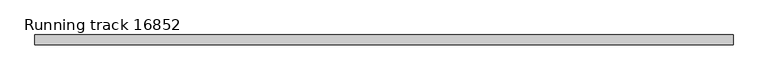
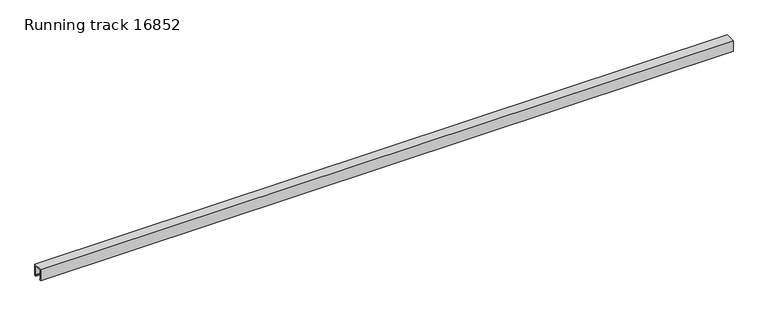
"""IFC4 building model written with IfcOpenShell, lengths in millimetres: proxy geometry, Running track 16852."""

import ifcopenshell
import ifcopenshell.guid

model = None  # the IFC model being written
_history = None  # IfcOwnerHistory: only IFC2X3 demands one
_inside = {}  # id of a spatial element -> (the spatial element, [elements in it])
_under = {}  # id of a project, library or spatial element -> (it, [spatial elements below it])
_declared = {}  # id of a project -> (the project, [libraries it declares])
_typed = {}  # id of a type object -> (the type object, [elements of that type])
_made_of = {}  # id of a material, layer set ... -> (it, [elements and type objects made of it])


def new_model(schema):
    """Start an empty IFC model of exactly this schema.

    Asked for "IFC4X3", IfcOpenShell would pick the latest addendum, in which some entities
    have other attributes; the version numbers below select the first issue.
    IFC2X3 requires an IfcOwnerHistory on every rooted entity: one is made here for all.
    """
    global model, _history
    if schema == "IFC4X3":
        model = ifcopenshell.file(schema_version=(4, 3, 0, 0))
    else:
        model = ifcopenshell.file(schema=schema)
    _inside.clear()
    _under.clear()
    _declared.clear()
    _typed.clear()
    _made_of.clear()
    _history = None
    if model.schema == "IFC2X3":
        org = make("IfcOrganization", Name="unknown")
        user = make(
            "IfcPersonAndOrganization",
            ThePerson=make("IfcPerson", FamilyName="unknown"),
            TheOrganization=org,
        )
        app = make(
            "IfcApplication",
            ApplicationDeveloper=org,
            Version="unknown",
            ApplicationFullName="unknown",
            ApplicationIdentifier="unknown",
        )
        _history = make(
            "IfcOwnerHistory",
            OwningUser=user,
            OwningApplication=app,
            ChangeAction="ADDED",
            CreationDate=0,
        )
    return model


def make(cls, **values):
    """One entity of the class cls with the attributes given. An attribute that is None is left unset."""
    return model.create_entity(
        cls, **{name: value for name, value in values.items() if value is not None}
    )


def rooted(cls, **values):
    """An entity with a GlobalId (a new one), such as an element, a storey or a relation."""
    return make(cls, GlobalId=ifcopenshell.guid.new(), OwnerHistory=_history, **values)


def si_unit(unit_type, name, prefix=None):
    """IfcSIUnit, for example si_unit("LENGTHUNIT", "METRE", prefix="MILLI")."""
    return make("IfcSIUnit", UnitType=unit_type, Prefix=prefix, Name=name)


def assignment(units):
    """IfcUnitAssignment: the units of a project."""
    return None if units is None else make("IfcUnitAssignment", Units=units)


def point(xyz):
    """IfcCartesianPoint."""
    return None if xyz is None else make("IfcCartesianPoint", Coordinates=xyz)


def direction(xyz):
    """IfcDirection."""
    return None if xyz is None else make("IfcDirection", DirectionRatios=xyz)


def frame(location, z_axis=None, x_axis=None):
    """IfcAxis2Placement3D, a coordinate frame: its origin and axes. An axis left out is left unset."""
    return make(
        "IfcAxis2Placement3D",
        Location=point(location),
        Axis=direction(z_axis),
        RefDirection=direction(x_axis),
    )


def origin():
    """The frame at (0, 0, 0) with its axes left unset."""
    return frame((0.0, 0.0, 0.0))


def place(relative_to, where):
    """IfcLocalPlacement: puts the frame where relative to a parent placement (None: the world)."""
    return make(
        "IfcLocalPlacement", PlacementRelTo=relative_to, RelativePlacement=where
    )


def context(
    kind, dimensions, precision=None, world=None, true_north=None, identifier=None
):
    """IfcGeometricRepresentationContext, for example the 3D "Model" context."""
    return make(
        "IfcGeometricRepresentationContext",
        ContextIdentifier=identifier,
        ContextType=kind,
        CoordinateSpaceDimension=dimensions,
        Precision=precision,
        WorldCoordinateSystem=world,
        TrueNorth=true_north,
    )


def project(units=None, contexts=None):
    """IfcProject with its units and contexts."""
    return rooted(
        "IfcProject",
        Name="project",
        RepresentationContexts=contexts,
        UnitsInContext=assignment(units),
    )


def spatial(cls, under=None, at=None, **own):
    """A site, building, storey or space (cls), placed at a placement, below another one or the project."""
    s = rooted(cls, ObjectPlacement=at, **own)
    if under is not None:
        _under.setdefault(under.id(), (under, []))[1].append(s)
    return s


def polyline(points):
    """IfcPolyline through the points."""
    return make("IfcPolyline", Points=[point(p) for p in points])


def outline(outer, holes=None, kind="AREA"):
    """IfcArbitraryClosedProfileDef: a profile drawn as a closed curve; with holes, ...WithVoids."""
    if holes is None:
        return make("IfcArbitraryClosedProfileDef", ProfileType=kind, OuterCurve=outer)
    return make(
        "IfcArbitraryProfileDefWithVoids",
        ProfileType=kind,
        OuterCurve=outer,
        InnerCurves=holes,
    )


def extrude(swept, where, along, depth):
    """IfcExtrudedAreaSolid: the profile swept, set in the frame where, extruded along a direction by depth."""
    return make(
        "IfcExtrudedAreaSolid",
        SweptArea=swept,
        Position=where,
        ExtrudedDirection=direction(along),
        Depth=depth,
    )


def shape(context_of_items, identifier, shape_type, items):
    """IfcShapeRepresentation: the items that make up one representation, for example the "Body"."""
    return make(
        "IfcShapeRepresentation",
        ContextOfItems=context_of_items,
        RepresentationIdentifier=identifier,
        RepresentationType=shape_type,
        Items=items,
    )


def source(mapping_origin, context_of_items, identifier, shape_type, items):
    """IfcRepresentationMap: a shape defined once, which mapped items show again and again."""
    return make(
        "IfcRepresentationMap",
        MappingOrigin=mapping_origin,
        MappedRepresentation=shape(context_of_items, identifier, shape_type, items),
    )


def transform(
    local_origin,
    x_axis=None,
    y_axis=None,
    z_axis=None,
    scale=None,
    scale2=None,
    scale3=None,
    uniform=True,
):
    """IfcCartesianTransformationOperator3D, or its non-uniform kind. x_axis, y_axis, z_axis: its Axis1, 2, 3."""
    if uniform:
        return make(
            "IfcCartesianTransformationOperator3D",
            Axis1=direction(x_axis),
            Axis2=direction(y_axis),
            LocalOrigin=point(local_origin),
            Scale=scale,
            Axis3=direction(z_axis),
        )
    return make(
        "IfcCartesianTransformationOperator3DnonUniform",
        Axis1=direction(x_axis),
        Axis2=direction(y_axis),
        LocalOrigin=point(local_origin),
        Scale=scale,
        Axis3=direction(z_axis),
        Scale2=scale2,
        Scale3=scale3,
    )


def mapped(mapping_source, mapping_target):
    """IfcMappedItem: shows the shape of a source again, moved by a transform."""
    return make(
        "IfcMappedItem", MappingSource=mapping_source, MappingTarget=mapping_target
    )


def made_of(thing, what):
    """Note that an element or type object is made of a material, layer set ...; save() writes the relation."""
    if what is not None:
        _made_of.setdefault(what.id(), (what, []))[1].append(thing)
    return thing


def element(
    cls,
    number,
    at=None,
    inside=None,
    cuts=None,
    type_object=None,
    material=None,
    context=None,
    identifier="Body",
    shape_type=None,
    held_by="IfcProductDefinitionShape",
    body=None,
    shapes=None,
    **own,
):
    """One element of the class cls, such as IfcWall. Its Tag is "e" and its number.

    at: its placement. inside: the storey or other place that contains it. cuts: it is an
    opening in that element (IfcRelVoidsElement). A single representation is given by context,
    identifier, shape_type and body (its items); several are given by shapes. held_by: the class
    of the entity that holds the representations. save() writes the other relations.
    """
    e = rooted(cls, Tag="e%d" % number, ObjectPlacement=at, **own)
    if body is not None:
        shapes = [shape(context, identifier, shape_type, body)]
    if shapes is not None:
        e.Representation = make(held_by, Representations=shapes)
    if inside is not None:
        _inside.setdefault(inside.id(), (inside, []))[1].append(e)
    if cuts is not None:
        rooted(
            "IfcRelVoidsElement", RelatingBuildingElement=cuts, RelatedOpeningElement=e
        )
    if type_object is not None:
        _typed.setdefault(type_object.id(), (type_object, []))[1].append(e)
    return made_of(e, material)


def aggregate(whole, parts):
    """IfcRelAggregates: a whole, such as a stair, and the parts it consists of."""
    return rooted("IfcRelAggregates", RelatingObject=whole, RelatedObjects=parts)


def save(model, path):
    """Write the relations noted so far, then the file.

    IfcRelAggregates (storeys below a building ...), IfcRelContainedInSpatialStructure (elements
    in a storey), IfcRelDefinesByType, IfcRelAssociatesMaterial and IfcRelDeclares: one each for
    every whole, place, type object, material and project.
    """
    for whole, parts in _under.values():
        aggregate(whole, parts)
    for where, things in _inside.values():
        rooted(
            "IfcRelContainedInSpatialStructure",
            RelatedElements=things,
            RelatingStructure=where,
        )
    for kind, things in _typed.values():
        rooted("IfcRelDefinesByType", RelatedObjects=things, RelatingType=kind)
    for what, things in _made_of.values():
        rooted("IfcRelAssociatesMaterial", RelatedObjects=things, RelatingMaterial=what)
    for by, libraries in _declared.values():
        rooted("IfcRelDeclares", RelatingContext=by, RelatedDefinitions=libraries)
    model.write(path)


def running_track_16852_9f76378e(model_context):
    return source(origin(), model_context, "Body", "SweptSolid", [
        extrude(outline(polyline([(-25.0, 0.0), (-25.0, 58.0), (25.0, 58.0), (25.0, 0.0), (17.0, 0.0), (17.0, 3.0), (22.0, 3.0), (22.0, 55.0), (-21.9166556, 55.0), (-21.9166556, 3.0), (-17.0, 3.0), (-17.0, 0.0), (-25.0, 0.0)])), frame((0.0, 0.0, 0.0), z_axis=(1.0, 0.0, 0.0), x_axis=(0.0, 1.0, 0.0)), (0.0, 0.0, 1.0), 3492.0),
    ])


if __name__ == "__main__":
    model = new_model("IFC4")
    model_context = context("Model", 3, world=origin())
    ifc_project = project(units=[si_unit("LENGTHUNIT", "METRE", prefix="MILLI")], contexts=[model_context])
    site = spatial("IfcSite", under=ifc_project)
    building = spatial("IfcBuilding", under=site)
    placement = place(None, origin())
    running_track_16852_shape = running_track_16852_9f76378e(model_context)
    element("IfcBuildingElementProxy", 1, Name="Running track 16852", ObjectType="Running track 16852", at=placement, inside=building, context=model_context, shape_type="MappedRepresentation", body=[
        mapped(running_track_16852_shape, transform((0.0, 0.0, 0.0), x_axis=(1.0, 0.0, 0.0), y_axis=(0.0, 1.0, 0.0), z_axis=(0.0, 0.0, 1.0))),
    ])
    save(model, "model.ifc")
